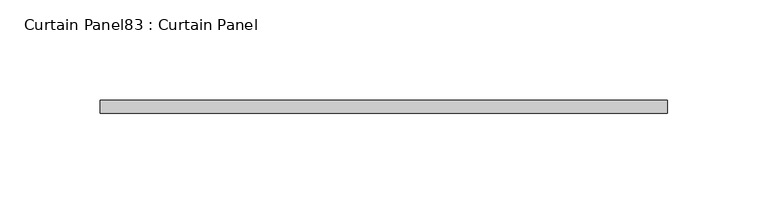
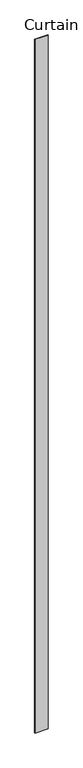
"""IFC4 building model written with IfcOpenShell, lengths in millimetres: plate geometry, Curtain Panel83 : Curtain Panel."""

from ifc_helpers import new_model, si_unit, frame, origin, place, context, project, spatial, polyline, outline, extrude, source, transform, mapped, element, save


def curtain_panel83_curtain_panel_74e06732(model_context):
    return source(origin(), model_context, "Body", "SweptSolid", [
        extrude(outline(polyline([(172774.9392856, 7974.6084949), (172492.1950674, 7974.6084949), (172492.1950674, 7980.9584949), (172774.9392856, 7980.9584949), (172774.9392856, 7974.6084949)])), frame((0.0, 0.0, 1433.7679301), z_axis=(0.0, 0.0, 1.0), x_axis=(1.0, 0.0, 0.0)), (0.0, 0.0, 1.0), 15837.0064664),
    ])


if __name__ == "__main__":
    model = new_model("IFC4")
    model_context = context("Model", 3, world=origin())
    ifc_project = project(units=[si_unit("LENGTHUNIT", "METRE", prefix="MILLI")], contexts=[model_context])
    site = spatial("IfcSite", under=ifc_project)
    building = spatial("IfcBuilding", under=site)
    placement = place(None, origin())
    curtain_panel83_curtain_panel_shape = curtain_panel83_curtain_panel_74e06732(model_context)
    element("IfcPlate", 1, ObjectType="Curtain Panel83 : Curtain Panel", at=placement, inside=building, context=model_context, shape_type="MappedRepresentation", body=[
        mapped(curtain_panel83_curtain_panel_shape, transform((0.0, 0.0, 0.0), x_axis=(1.0, 0.0, 0.0), y_axis=(0.0, 1.0, 0.0), z_axis=(0.0, 0.0, 1.0))),
    ])
    save(model, "model.ifc")
